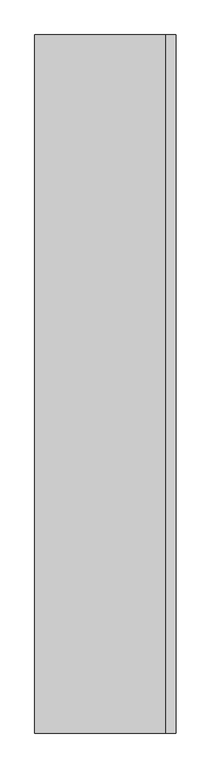
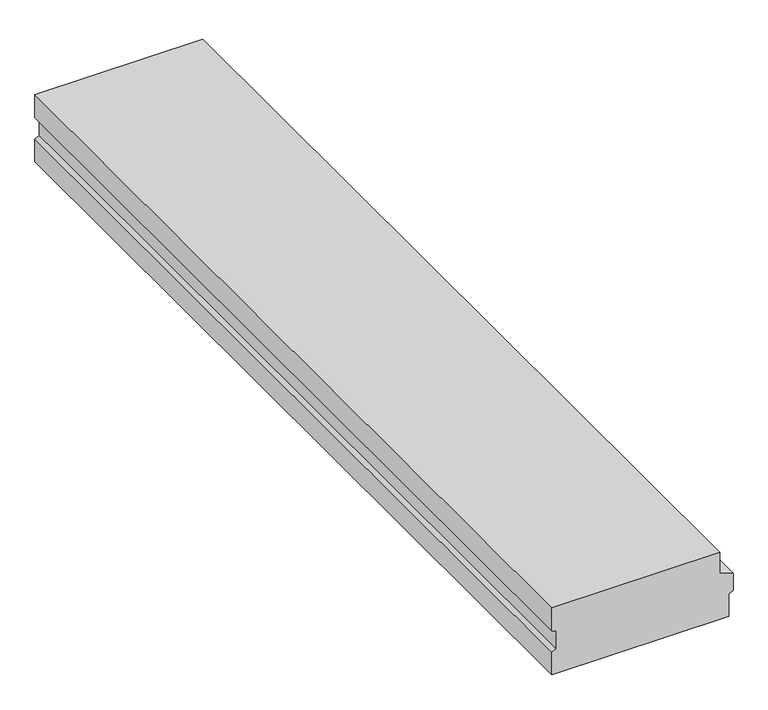
"""IFC4 building model written with IfcOpenShell, lengths in millimetres: beam geometry."""

from ifc_helpers import new_model, si_unit, frame, origin, place, context, project, spatial, polyline, outline, extrude, source, transform, mapped, element, save


def beam_49eb4bc9(model_context):
    return source(origin(), model_context, "Body", "SweptSolid", [
        extrude(outline(polyline([(0.0, 270.0), (0.0, -300.0), (-81.2054084, -300.0), (-86.8469471, -284.5), (-152.5378604, -284.5), (-158.9635917, -300.0), (-240.0, -300.0), (-240.0, 300.0), (-158.9635917, 300.0), (-152.5378604, 315.5), (-91.5606457, 315.5), (-75.0, 270.0), (0.0, 270.0)])), frame((0.0, -1520.0, 0.0), z_axis=(0.0, 1.0, 0.0), x_axis=(0.0, 0.0, 1.0)), (0.0, 0.0, 1.0), 3040.0),
    ])


if __name__ == "__main__":
    model = new_model("IFC4")
    model_context = context("Model", 3, world=origin())
    ifc_project = project(units=[si_unit("LENGTHUNIT", "METRE", prefix="MILLI")], contexts=[model_context])
    site = spatial("IfcSite", under=ifc_project)
    building = spatial("IfcBuilding", under=site)
    placement = place(None, origin())
    beam_shape = beam_49eb4bc9(model_context)
    element("IfcBeam", 1, at=placement, inside=building, context=model_context, shape_type="MappedRepresentation", body=[
        mapped(beam_shape, transform((0.0, 0.0, 0.0), x_axis=(1.0, 0.0, 0.0), y_axis=(0.0, 1.0, 0.0), z_axis=(0.0, 0.0, 1.0))),
    ])
    save(model, "model.ifc")
